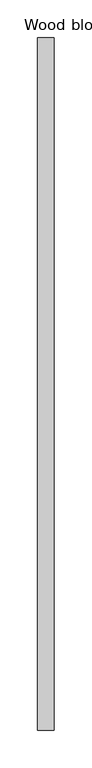
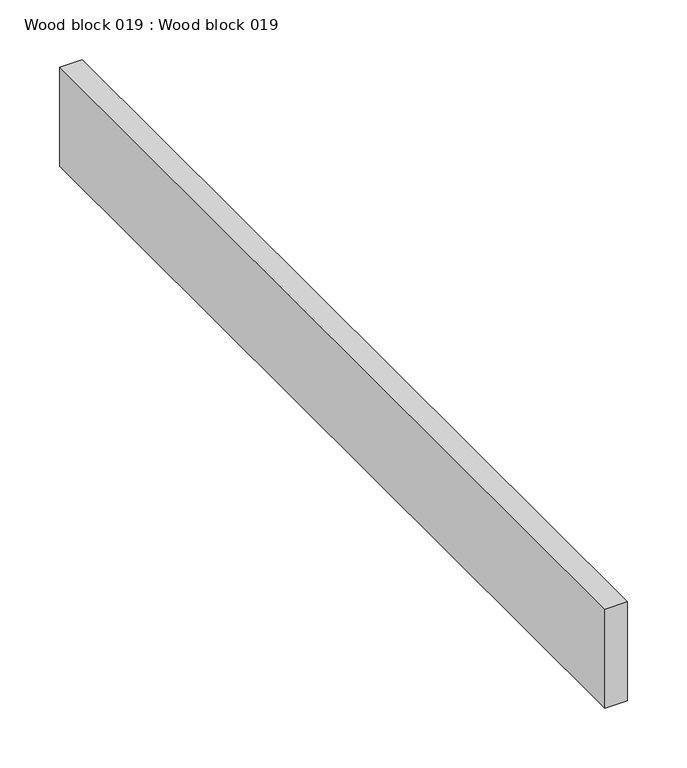
"""IFC4 building model written with IfcOpenShell, lengths in millimetres: proxy geometry, Wood block 019 : Wood block 019."""

from ifc_helpers import new_model, si_unit, frame, origin, place, context, project, spatial, polyline, outline, extrude, source, transform, mapped, element, save


def wood_block_019_wood_block_019_f17164ec(model_context):
    return source(origin(), model_context, "Body", "SweptSolid", [
        extrude(outline(polyline([(37205.8513666, -18662.4264268), (37227.7380854, -18662.4264268), (37227.7380854, -19576.8264268), (37205.8513666, -19576.8264268), (37205.8513666, -18662.4264268)])), frame((0.0, 0.0, 271.2723694), z_axis=(0.0, 0.0, 1.0), x_axis=(1.0, 0.0, 0.0)), (0.0, 0.0, 1.0), 101.6645508),
    ])


if __name__ == "__main__":
    model = new_model("IFC4")
    model_context = context("Model", 3, world=origin())
    ifc_project = project(units=[si_unit("LENGTHUNIT", "METRE", prefix="MILLI")], contexts=[model_context])
    site = spatial("IfcSite", under=ifc_project)
    building = spatial("IfcBuilding", under=site)
    placement = place(None, origin())
    wood_block_019_wood_block_019_shape = wood_block_019_wood_block_019_f17164ec(model_context)
    element("IfcBuildingElementProxy", 1, Name="Wood block 019 : Wood block 019", ObjectType="Wood block 019 : Wood block 019", at=placement, inside=building, context=model_context, shape_type="MappedRepresentation", body=[
        mapped(wood_block_019_wood_block_019_shape, transform((0.0, 0.0, 0.0), x_axis=(1.0, 0.0, 0.0), y_axis=(0.0, 1.0, 0.0), z_axis=(0.0, 0.0, 1.0))),
    ])
    save(model, "model.ifc")
